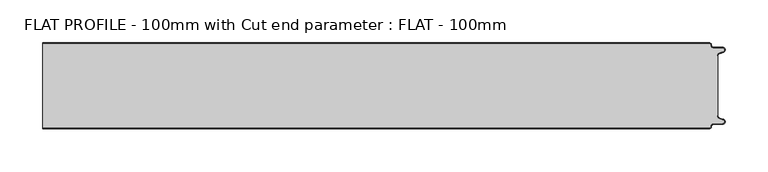
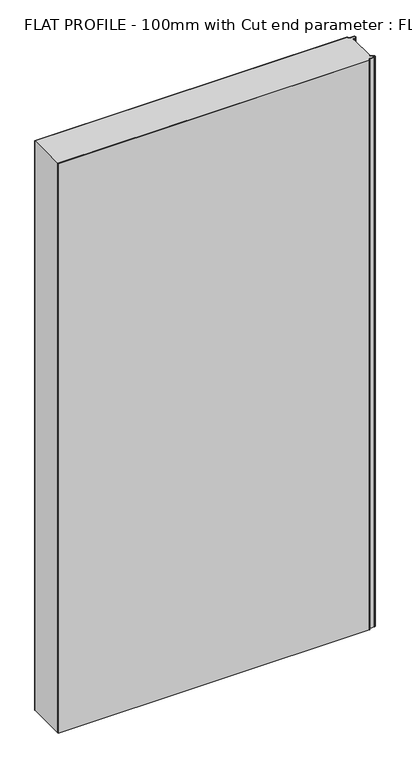
"""IFC4 building model written with IfcOpenShell, lengths in millimetres: proxy geometry, FLAT PROFILE - 100mm with Cut end parameter : FLAT - 100mm."""

import ifcopenshell
import ifcopenshell.guid

model = None  # the IFC model being written
_history = None  # IfcOwnerHistory: only IFC2X3 demands one
_inside = {}  # id of a spatial element -> (the spatial element, [elements in it])
_under = {}  # id of a project, library or spatial element -> (it, [spatial elements below it])
_declared = {}  # id of a project -> (the project, [libraries it declares])
_typed = {}  # id of a type object -> (the type object, [elements of that type])
_made_of = {}  # id of a material, layer set ... -> (it, [elements and type objects made of it])


def new_model(schema):
    """Start an empty IFC model of exactly this schema.

    Asked for "IFC4X3", IfcOpenShell would pick the latest addendum, in which some entities
    have other attributes; the version numbers below select the first issue.
    IFC2X3 requires an IfcOwnerHistory on every rooted entity: one is made here for all.
    """
    global model, _history
    if schema == "IFC4X3":
        model = ifcopenshell.file(schema_version=(4, 3, 0, 0))
    else:
        model = ifcopenshell.file(schema=schema)
    _inside.clear()
    _under.clear()
    _declared.clear()
    _typed.clear()
    _made_of.clear()
    _history = None
    if model.schema == "IFC2X3":
        org = make("IfcOrganization", Name="unknown")
        user = make(
            "IfcPersonAndOrganization",
            ThePerson=make("IfcPerson", FamilyName="unknown"),
            TheOrganization=org,
        )
        app = make(
            "IfcApplication",
            ApplicationDeveloper=org,
            Version="unknown",
            ApplicationFullName="unknown",
            ApplicationIdentifier="unknown",
        )
        _history = make(
            "IfcOwnerHistory",
            OwningUser=user,
            OwningApplication=app,
            ChangeAction="ADDED",
            CreationDate=0,
        )
    return model


def make(cls, **values):
    """One entity of the class cls with the attributes given. An attribute that is None is left unset."""
    return model.create_entity(
        cls, **{name: value for name, value in values.items() if value is not None}
    )


def rooted(cls, **values):
    """An entity with a GlobalId (a new one), such as an element, a storey or a relation."""
    return make(cls, GlobalId=ifcopenshell.guid.new(), OwnerHistory=_history, **values)


def si_unit(unit_type, name, prefix=None):
    """IfcSIUnit, for example si_unit("LENGTHUNIT", "METRE", prefix="MILLI")."""
    return make("IfcSIUnit", UnitType=unit_type, Prefix=prefix, Name=name)


def assignment(units):
    """IfcUnitAssignment: the units of a project."""
    return None if units is None else make("IfcUnitAssignment", Units=units)


def point(xyz):
    """IfcCartesianPoint."""
    return None if xyz is None else make("IfcCartesianPoint", Coordinates=xyz)


def direction(xyz):
    """IfcDirection."""
    return None if xyz is None else make("IfcDirection", DirectionRatios=xyz)


def frame(location, z_axis=None, x_axis=None):
    """IfcAxis2Placement3D, a coordinate frame: its origin and axes. An axis left out is left unset."""
    return make(
        "IfcAxis2Placement3D",
        Location=point(location),
        Axis=direction(z_axis),
        RefDirection=direction(x_axis),
    )


def frame_2d(location, x_axis=None):
    """IfcAxis2Placement2D, a coordinate frame in the plane: its origin and x axis."""
    return make(
        "IfcAxis2Placement2D", Location=point(location), RefDirection=direction(x_axis)
    )


def origin():
    """The frame at (0, 0, 0) with its axes left unset."""
    return frame((0.0, 0.0, 0.0))


def origin_with_axes():
    """The frame at (0, 0, 0) with the z axis (0, 0, 1) and the x axis (1, 0, 0) written out."""
    return frame((0.0, 0.0, 0.0), z_axis=(0.0, 0.0, 1.0), x_axis=(1.0, 0.0, 0.0))


def place(relative_to, where):
    """IfcLocalPlacement: puts the frame where relative to a parent placement (None: the world)."""
    return make(
        "IfcLocalPlacement", PlacementRelTo=relative_to, RelativePlacement=where
    )


def context(
    kind, dimensions, precision=None, world=None, true_north=None, identifier=None
):
    """IfcGeometricRepresentationContext, for example the 3D "Model" context."""
    return make(
        "IfcGeometricRepresentationContext",
        ContextIdentifier=identifier,
        ContextType=kind,
        CoordinateSpaceDimension=dimensions,
        Precision=precision,
        WorldCoordinateSystem=world,
        TrueNorth=true_north,
    )


def project(units=None, contexts=None):
    """IfcProject with its units and contexts."""
    return rooted(
        "IfcProject",
        Name="project",
        RepresentationContexts=contexts,
        UnitsInContext=assignment(units),
    )


def spatial(cls, under=None, at=None, **own):
    """A site, building, storey or space (cls), placed at a placement, below another one or the project."""
    s = rooted(cls, ObjectPlacement=at, **own)
    if under is not None:
        _under.setdefault(under.id(), (under, []))[1].append(s)
    return s


def polyline(points):
    """IfcPolyline through the points."""
    return make("IfcPolyline", Points=[point(p) for p in points])


def circle_curve(where, radius):
    """IfcCircle in the frame where."""
    return make("IfcCircle", Position=where, Radius=radius)


def trimmed(basis, trim1, trim2, sense, master):
    """IfcTrimmedCurve: the piece of a basis curve between two trims."""
    return make(
        "IfcTrimmedCurve",
        BasisCurve=basis,
        Trim1=trim1,
        Trim2=trim2,
        SenseAgreement=sense,
        MasterRepresentation=master,
    )


def segment(curve, same_sense, transition):
    """IfcCompositeCurveSegment."""
    return make(
        "IfcCompositeCurveSegment",
        Transition=transition,
        SameSense=same_sense,
        ParentCurve=curve,
    )


def composite_curve(segments, self_intersect=None):
    """IfcCompositeCurve: segments joined end to end."""
    return make("IfcCompositeCurve", Segments=segments, SelfIntersect=self_intersect)


def outline(outer, holes=None, kind="AREA"):
    """IfcArbitraryClosedProfileDef: a profile drawn as a closed curve; with holes, ...WithVoids."""
    if holes is None:
        return make("IfcArbitraryClosedProfileDef", ProfileType=kind, OuterCurve=outer)
    return make(
        "IfcArbitraryProfileDefWithVoids",
        ProfileType=kind,
        OuterCurve=outer,
        InnerCurves=holes,
    )


def extrude(swept, where, along, depth):
    """IfcExtrudedAreaSolid: the profile swept, set in the frame where, extruded along a direction by depth."""
    return make(
        "IfcExtrudedAreaSolid",
        SweptArea=swept,
        Position=where,
        ExtrudedDirection=direction(along),
        Depth=depth,
    )


def shape(context_of_items, identifier, shape_type, items):
    """IfcShapeRepresentation: the items that make up one representation, for example the "Body"."""
    return make(
        "IfcShapeRepresentation",
        ContextOfItems=context_of_items,
        RepresentationIdentifier=identifier,
        RepresentationType=shape_type,
        Items=items,
    )


def source(mapping_origin, context_of_items, identifier, shape_type, items):
    """IfcRepresentationMap: a shape defined once, which mapped items show again and again."""
    return make(
        "IfcRepresentationMap",
        MappingOrigin=mapping_origin,
        MappedRepresentation=shape(context_of_items, identifier, shape_type, items),
    )


def transform(
    local_origin,
    x_axis=None,
    y_axis=None,
    z_axis=None,
    scale=None,
    scale2=None,
    scale3=None,
    uniform=True,
):
    """IfcCartesianTransformationOperator3D, or its non-uniform kind. x_axis, y_axis, z_axis: its Axis1, 2, 3."""
    if uniform:
        return make(
            "IfcCartesianTransformationOperator3D",
            Axis1=direction(x_axis),
            Axis2=direction(y_axis),
            LocalOrigin=point(local_origin),
            Scale=scale,
            Axis3=direction(z_axis),
        )
    return make(
        "IfcCartesianTransformationOperator3DnonUniform",
        Axis1=direction(x_axis),
        Axis2=direction(y_axis),
        LocalOrigin=point(local_origin),
        Scale=scale,
        Axis3=direction(z_axis),
        Scale2=scale2,
        Scale3=scale3,
    )


def mapped(mapping_source, mapping_target):
    """IfcMappedItem: shows the shape of a source again, moved by a transform."""
    return make(
        "IfcMappedItem", MappingSource=mapping_source, MappingTarget=mapping_target
    )


def made_of(thing, what):
    """Note that an element or type object is made of a material, layer set ...; save() writes the relation."""
    if what is not None:
        _made_of.setdefault(what.id(), (what, []))[1].append(thing)
    return thing


def element(
    cls,
    number,
    at=None,
    inside=None,
    cuts=None,
    type_object=None,
    material=None,
    context=None,
    identifier="Body",
    shape_type=None,
    held_by="IfcProductDefinitionShape",
    body=None,
    shapes=None,
    **own,
):
    """One element of the class cls, such as IfcWall. Its Tag is "e" and its number.

    at: its placement. inside: the storey or other place that contains it. cuts: it is an
    opening in that element (IfcRelVoidsElement). A single representation is given by context,
    identifier, shape_type and body (its items); several are given by shapes. held_by: the class
    of the entity that holds the representations. save() writes the other relations.
    """
    e = rooted(cls, Tag="e%d" % number, ObjectPlacement=at, **own)
    if body is not None:
        shapes = [shape(context, identifier, shape_type, body)]
    if shapes is not None:
        e.Representation = make(held_by, Representations=shapes)
    if inside is not None:
        _inside.setdefault(inside.id(), (inside, []))[1].append(e)
    if cuts is not None:
        rooted(
            "IfcRelVoidsElement", RelatingBuildingElement=cuts, RelatedOpeningElement=e
        )
    if type_object is not None:
        _typed.setdefault(type_object.id(), (type_object, []))[1].append(e)
    return made_of(e, material)


def aggregate(whole, parts):
    """IfcRelAggregates: a whole, such as a stair, and the parts it consists of."""
    return rooted("IfcRelAggregates", RelatingObject=whole, RelatedObjects=parts)


def save(model, path):
    """Write the relations noted so far, then the file.

    IfcRelAggregates (storeys below a building ...), IfcRelContainedInSpatialStructure (elements
    in a storey), IfcRelDefinesByType, IfcRelAssociatesMaterial and IfcRelDeclares: one each for
    every whole, place, type object, material and project.
    """
    for whole, parts in _under.values():
        aggregate(whole, parts)
    for where, things in _inside.values():
        rooted(
            "IfcRelContainedInSpatialStructure",
            RelatedElements=things,
            RelatingStructure=where,
        )
    for kind, things in _typed.values():
        rooted("IfcRelDefinesByType", RelatedObjects=things, RelatingType=kind)
    for what, things in _made_of.values():
        rooted("IfcRelAssociatesMaterial", RelatedObjects=things, RelatingMaterial=what)
    for by, libraries in _declared.values():
        rooted("IfcRelDeclares", RelatingContext=by, RelatedDefinitions=libraries)
    model.write(path)


def flat_profile_100mm_with_cut_end_parameter_flat_100mm_ce0ab718(model_context):
    return source(origin(), model_context, "Body", "SweptSolid", [
        extrude(outline(composite_curve([segment(trimmed(circle_curve(frame_2d((596.9047345, 47.4926459)), 1.5073578), [point((596.902372, 49.0000019))], [point((598.4115951, 47.4539337))], False, "CARTESIAN"), True, "CONTINUOUS"), segment(trimmed(circle_curve(frame_2d((601.9112919, 47.5000019)), 3.5), [point((598.4115951, 47.4539337))], [point((601.9112919, 44.0000019))], True, "CARTESIAN"), True, "CONTINUOUS"), segment(polyline([(601.9112919, 44.0000019), (612.3116271, 44.0000019)]), True, "CONTINUOUS"), segment(trimmed(circle_curve(frame_2d((612.3116271, 41.9000019)), 2.1), [point((612.3116271, 44.0000019))], [point((613.0435993, 39.9316988))], False, "CARTESIAN"), True, "CONTINUOUS"), segment(polyline([(613.0435993, 39.9316988), (610.7828028, 39.1063001), (607.8546835, 37.9154156)]), True, "CONTINUOUS"), segment(trimmed(circle_curve(frame_2d((608.9399875, 35.2468953)), 2.8807786), [point((607.8546835, 37.9154156))], [point((606.0682599, 35.475074))], True, "CARTESIAN"), True, "CONTINUOUS"), segment(polyline([(606.0682599, 35.475074), (606.0107004, 34.2522232), (607.0118076, 34.2522232), (607.0118076, -34.2522195), (606.0107004, -34.2522195), (606.0682599, -35.4750703)]), True, "CONTINUOUS"), segment(trimmed(circle_curve(frame_2d((608.9399875, -35.2468916)), 2.8807786), [point((606.0682599, -35.4750703))], [point((607.8546835, -37.9154119))], True, "CARTESIAN"), True, "CONTINUOUS"), segment(polyline([(607.8546835, -37.9154119), (610.7828028, -39.1062964), (613.0435993, -39.9316951)]), True, "CONTINUOUS"), segment(trimmed(circle_curve(frame_2d((612.3116271, -41.8999981)), 2.1), [point((613.0435993, -39.9316951))], [point((612.3116271, -43.9999981))], False, "CARTESIAN"), True, "CONTINUOUS"), segment(polyline([(612.3116271, -43.9999981), (601.9112919, -43.9999981)]), True, "CONTINUOUS"), segment(trimmed(circle_curve(frame_2d((601.9112919, -47.4999981)), 3.5), [point((601.9112919, -43.9999981))], [point((598.4115951, -47.45393))], True, "CARTESIAN"), True, "CONTINUOUS"), segment(trimmed(circle_curve(frame_2d((596.9047345, -47.4926422)), 1.5073578), [point((598.4115951, -47.45393))], [point((596.902372, -48.9999981))], False, "CARTESIAN"), True, "CONTINUOUS"), segment(polyline([(596.902372, -48.9999981), (-180.0, -48.9999981), (-180.0, 49.0000019), (596.902372, 49.0000019)]), True, "CONTINUOUS")], self_intersect=False)), origin_with_axes(), (0.0, 0.0, 1.0), 1500.0),
        extrude(outline(composite_curve([segment(trimmed(circle_curve(frame_2d((596.9047345, 47.4926459)), 2.5073578), [point((596.9016875, 50.0000019))], [point((599.4117582, 47.4517176))], False, "CARTESIAN"), True, "CONTINUOUS"), segment(trimmed(circle_curve(frame_2d((601.9112919, 47.5000019)), 2.5), [point((599.4117582, 47.4517176))], [point((601.9112919, 45.0000019))], True, "CARTESIAN"), True, "CONTINUOUS"), segment(polyline([(601.9112919, 45.0000019), (612.3116271, 45.0000019)]), True, "CONTINUOUS"), segment(trimmed(circle_curve(frame_2d((612.3116271, 41.9000019)), 3.1), [point((612.3116271, 45.0000019))], [point((613.3890842, 38.9932707))], False, "CARTESIAN"), True, "CONTINUOUS"), segment(polyline([(613.3890842, 38.9932707), (611.1427659, 38.1731578), (608.2411829, 37.0549269)]), True, "CONTINUOUS"), segment(trimmed(circle_curve(frame_2d((609.0514567, 35.1592666)), 2.0615701), [point((608.2411829, 37.0549269))], [point((607.0118076, 35.4591051))], True, "CARTESIAN"), True, "CONTINUOUS"), segment(polyline([(607.0118076, 35.4591051), (607.0118076, 34.2522232), (606.0107004, 34.2522232), (606.0682599, 35.475074)]), True, "CONTINUOUS"), segment(trimmed(circle_curve(frame_2d((608.9399875, 35.2468953)), 2.8807786), [point((606.0682599, 35.475074))], [point((607.8546835, 37.9154156))], False, "CARTESIAN"), True, "CONTINUOUS"), segment(polyline([(607.8546835, 37.9154156), (610.7828028, 39.1063001), (613.0435993, 39.9316988)]), True, "CONTINUOUS"), segment(trimmed(circle_curve(frame_2d((612.3116271, 41.9000019)), 2.1), [point((613.0435993, 39.9316988))], [point((612.3116271, 44.0000019))], True, "CARTESIAN"), True, "CONTINUOUS"), segment(polyline([(612.3116271, 44.0000019), (601.9112919, 44.0000019)]), True, "CONTINUOUS"), segment(trimmed(circle_curve(frame_2d((601.9112919, 47.5000019)), 3.5), [point((601.9112919, 44.0000019))], [point((598.4115951, 47.4539337))], False, "CARTESIAN"), True, "CONTINUOUS"), segment(trimmed(circle_curve(frame_2d((596.9047345, 47.4926459)), 1.5073578), [point((598.4115951, 47.4539337))], [point((596.902372, 49.0000019))], True, "CARTESIAN"), True, "CONTINUOUS"), segment(polyline([(596.902372, 49.0000019), (-180.0, 49.0000019), (-180.0, 50.0000019), (596.9016875, 50.0000019)]), True, "CONTINUOUS")], self_intersect=False)), origin_with_axes(), (0.0, 0.0, 1.0), 1500.0),
        extrude(outline(composite_curve([segment(trimmed(circle_curve(frame_2d((596.9047345, -47.4926422)), 1.5073578), [point((596.902372, -48.9999981))], [point((598.4115951, -47.45393))], True, "CARTESIAN"), True, "CONTINUOUS"), segment(trimmed(circle_curve(frame_2d((601.9112919, -47.4999981)), 3.5), [point((598.4115951, -47.45393))], [point((601.9112919, -43.9999981))], False, "CARTESIAN"), True, "CONTINUOUS"), segment(polyline([(601.9112919, -43.9999981), (612.3116271, -43.9999981)]), True, "CONTINUOUS"), segment(trimmed(circle_curve(frame_2d((612.3116271, -41.8999981)), 2.1), [point((612.3116271, -43.9999981))], [point((613.0435993, -39.9316951))], True, "CARTESIAN"), True, "CONTINUOUS"), segment(polyline([(613.0435993, -39.9316951), (610.7828028, -39.1062964), (607.8546835, -37.9154119)]), True, "CONTINUOUS"), segment(trimmed(circle_curve(frame_2d((608.9399875, -35.2468916)), 2.8807786), [point((607.8546835, -37.9154119))], [point((606.0682599, -35.4750703))], False, "CARTESIAN"), True, "CONTINUOUS"), segment(polyline([(606.0682599, -35.4750703), (606.0107004, -34.2522195), (607.0118076, -34.2522195), (607.0118076, -35.4591014)]), True, "CONTINUOUS"), segment(trimmed(circle_curve(frame_2d((609.0514567, -35.1592629)), 2.0615701), [point((607.0118076, -35.4591014))], [point((608.2411829, -37.0549231))], True, "CARTESIAN"), True, "CONTINUOUS"), segment(polyline([(608.2411829, -37.0549231), (611.1427659, -38.1731541), (613.3890842, -38.993267)]), True, "CONTINUOUS"), segment(trimmed(circle_curve(frame_2d((612.3116271, -41.8999981)), 3.1), [point((613.3890842, -38.993267))], [point((612.3116271, -44.9999981))], False, "CARTESIAN"), True, "CONTINUOUS"), segment(polyline([(612.3116271, -44.9999981), (601.9112919, -44.9999981)]), True, "CONTINUOUS"), segment(trimmed(circle_curve(frame_2d((601.9112919, -47.4999981)), 2.5), [point((601.9112919, -44.9999981))], [point((599.4117582, -47.4517139))], True, "CARTESIAN"), True, "CONTINUOUS"), segment(trimmed(circle_curve(frame_2d((596.9047345, -47.4926422)), 2.5073578), [point((599.4117582, -47.4517139))], [point((596.9016875, -49.9999981))], False, "CARTESIAN"), True, "CONTINUOUS"), segment(polyline([(596.9016875, -49.9999981), (-180.0, -49.9999981), (-180.0, -48.9999981), (596.902372, -48.9999981)]), True, "CONTINUOUS")], self_intersect=False)), origin_with_axes(), (0.0, 0.0, 1.0), 1500.0),
    ])


if __name__ == "__main__":
    model = new_model("IFC4")
    model_context = context("Model", 3, world=origin())
    ifc_project = project(units=[si_unit("LENGTHUNIT", "METRE", prefix="MILLI")], contexts=[model_context])
    site = spatial("IfcSite", under=ifc_project)
    building = spatial("IfcBuilding", under=site)
    placement = place(None, origin())
    flat_profile_100mm_with_cut_end_parameter_flat_100mm_shape = flat_profile_100mm_with_cut_end_parameter_flat_100mm_ce0ab718(model_context)
    element("IfcBuildingElementProxy", 1, Name="FLAT PROFILE - 100mm with Cut end parameter : FLAT - 100mm", ObjectType="FLAT PROFILE - 100mm with Cut end parameter : FLAT - 100mm", at=placement, inside=building, context=model_context, shape_type="MappedRepresentation", body=[
        mapped(flat_profile_100mm_with_cut_end_parameter_flat_100mm_shape, transform((0.0, 0.0, 0.0), x_axis=(1.0, 0.0, 0.0), y_axis=(0.0, 1.0, 0.0), z_axis=(0.0, 0.0, 1.0))),
    ])
    save(model, "model.ifc")
